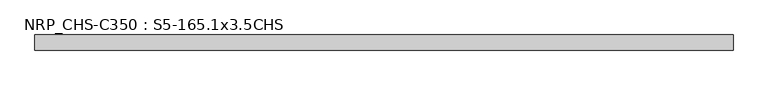
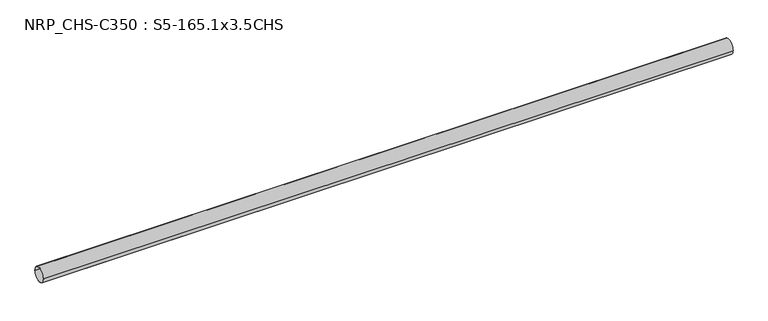
"""IFC4 building model written with IfcOpenShell, lengths in millimetres: beam geometry, NRP_CHS-C350 : S5-165.1x3.5CHS."""

from ifc_helpers import new_model, si_unit, point, frame, origin, origin_2d, place, context, project, spatial, circle_curve, trimmed, segment, composite_curve, outline, extrude, source, transform, mapped, element, save


def nrp_chs_c350_s5_165_1x3_5chs_853cc52c(model_context):
    return source(origin(), model_context, "Body", "SweptSolid", [
        extrude(outline(composite_curve([segment(trimmed(circle_curve(origin_2d(), 82.55), [point((-82.55, 0.0))], [point((82.55, 0.0))], False, "CARTESIAN"), True, "CONTINUOUS"), segment(trimmed(circle_curve(origin_2d(), 82.55), [point((82.55, 0.0))], [point((-82.55, 0.0))], False, "CARTESIAN"), True, "CONTINUOUS")], self_intersect=False), holes=[composite_curve([segment(trimmed(circle_curve(origin_2d(), 79.05), [point((79.05, 0.0))], [point((-79.05, 0.0))], True, "CARTESIAN"), True, "CONTINUOUS"), segment(trimmed(circle_curve(origin_2d(), 79.05), [point((-79.05, 0.0))], [point((79.05, 0.0))], True, "CARTESIAN"), True, "CONTINUOUS")], self_intersect=False)]), frame((-3792.15, 0.0, 0.0), z_axis=(1.0, 0.0, 0.0), x_axis=(0.0, 1.0, 0.0)), (0.0, 0.0, 1.0), 7603.5),
    ])


if __name__ == "__main__":
    model = new_model("IFC4")
    model_context = context("Model", 3, world=origin())
    ifc_project = project(units=[si_unit("LENGTHUNIT", "METRE", prefix="MILLI")], contexts=[model_context])
    site = spatial("IfcSite", under=ifc_project)
    building = spatial("IfcBuilding", under=site)
    placement = place(None, origin())
    nrp_chs_c350_s5_165_1x3_5chs_shape = nrp_chs_c350_s5_165_1x3_5chs_853cc52c(model_context)
    element("IfcBeam", 1, ObjectType="NRP_CHS-C350 : S5-165.1x3.5CHS", at=placement, inside=building, context=model_context, shape_type="MappedRepresentation", body=[
        mapped(nrp_chs_c350_s5_165_1x3_5chs_shape, transform((0.0, 0.0, 0.0), x_axis=(1.0, 0.0, 0.0), y_axis=(0.0, 1.0, 0.0), z_axis=(0.0, 0.0, 1.0))),
    ])
    save(model, "model.ifc")
